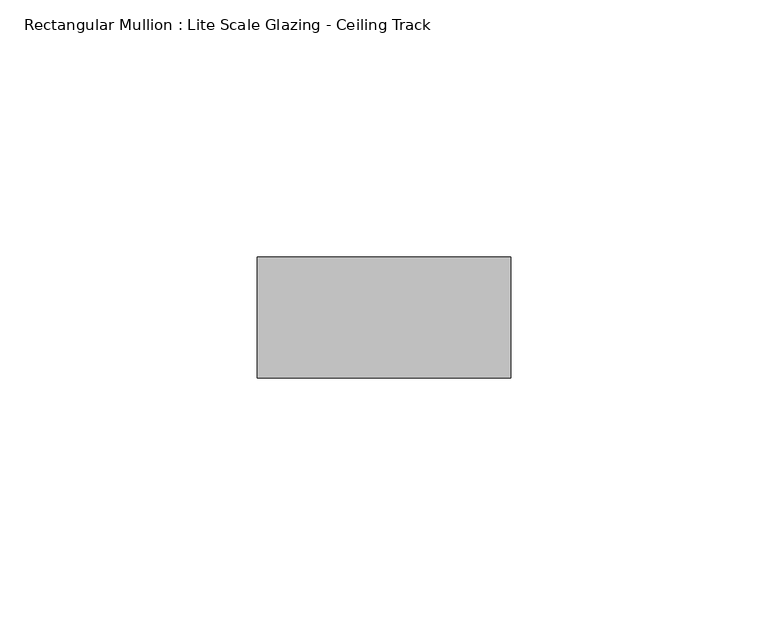
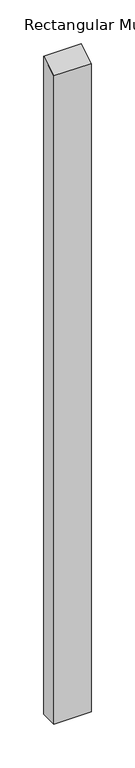
"""IFC4 building model written with IfcOpenShell, lengths in millimetres: member geometry, Rectangular Mullion : Lite Scale Glazing - Ceiling Track."""

from ifc_helpers import new_model, si_unit, frame, origin, place, context, project, spatial, polyline, outline, extrude, source, transform, mapped, element, save


def rectangular_mullion_lite_scale_glazing_ceiling_track_7031a8b8(model_context):
    return source(origin(), model_context, "Body", "SweptSolid", [
        extrude(outline(polyline([(-11.7474999, -6.7824222), (11.7474999, 6.7824222), (11.7474999, -912.2682999), (-11.7474999, -912.2682999), (-11.7474999, -6.7824222)])), frame((-49.276, 0.0, 0.0), z_axis=(1.0, 0.0, 0.0), x_axis=(0.0, 1.0, 0.0)), (0.0, 0.0, 1.0), 49.276),
    ])


if __name__ == "__main__":
    model = new_model("IFC4")
    model_context = context("Model", 3, world=origin())
    ifc_project = project(units=[si_unit("LENGTHUNIT", "METRE", prefix="MILLI")], contexts=[model_context])
    site = spatial("IfcSite", under=ifc_project)
    building = spatial("IfcBuilding", under=site)
    placement = place(None, origin())
    rectangular_mullion_lite_scale_glazing_ceiling_track_shape = rectangular_mullion_lite_scale_glazing_ceiling_track_7031a8b8(model_context)
    element("IfcMember", 1, ObjectType="Rectangular Mullion : Lite Scale Glazing - Ceiling Track", at=placement, inside=building, context=model_context, shape_type="MappedRepresentation", body=[
        mapped(rectangular_mullion_lite_scale_glazing_ceiling_track_shape, transform((0.0, 0.0, 0.0), x_axis=(1.0, 0.0, 0.0), y_axis=(0.0, 1.0, 0.0), z_axis=(0.0, 0.0, 1.0))),
    ])
    save(model, "model.ifc")
